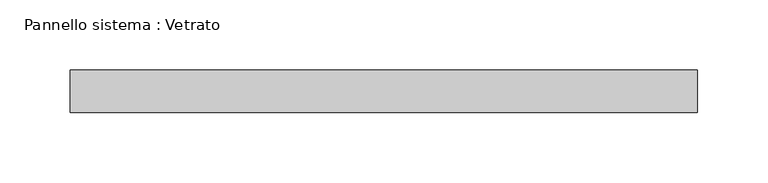
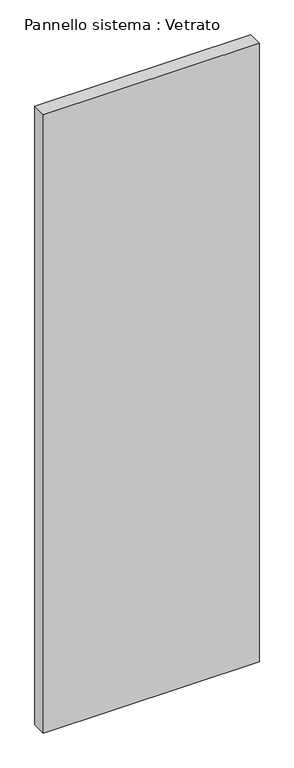
"""IFC4 building model written with IfcOpenShell, lengths in millimetres: plate geometry, Pannello sistema : Vetrato."""

from ifc_helpers import new_model, si_unit, origin, origin_with_axes, place, context, project, spatial, polyline, outline, extrude, source, transform, mapped, element, save


def pannello_sistema_vetrato_b3584740(model_context):
    return source(origin(), model_context, "Body", "SweptSolid", [
        extrude(outline(polyline([(222.7463523, -15.0), (-222.7463523, -15.0), (-222.7463523, 15.0), (222.7463523, 15.0), (222.7463523, -15.0)])), origin_with_axes(), (0.0, 0.0, 1.0), 1350.0),
    ])


if __name__ == "__main__":
    model = new_model("IFC4")
    model_context = context("Model", 3, world=origin())
    ifc_project = project(units=[si_unit("LENGTHUNIT", "METRE", prefix="MILLI")], contexts=[model_context])
    site = spatial("IfcSite", under=ifc_project)
    building = spatial("IfcBuilding", under=site)
    placement = place(None, origin())
    pannello_sistema_vetrato_shape = pannello_sistema_vetrato_b3584740(model_context)
    element("IfcPlate", 1, ObjectType="Pannello sistema : Vetrato", at=placement, inside=building, context=model_context, shape_type="MappedRepresentation", body=[
        mapped(pannello_sistema_vetrato_shape, transform((0.0, 0.0, 0.0), x_axis=(1.0, 0.0, 0.0), y_axis=(0.0, 1.0, 0.0), z_axis=(0.0, 0.0, 1.0))),
    ])
    save(model, "model.ifc")
